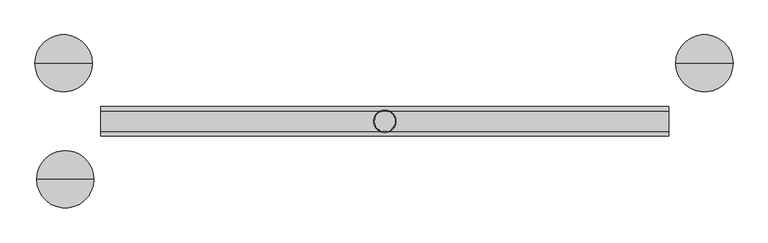
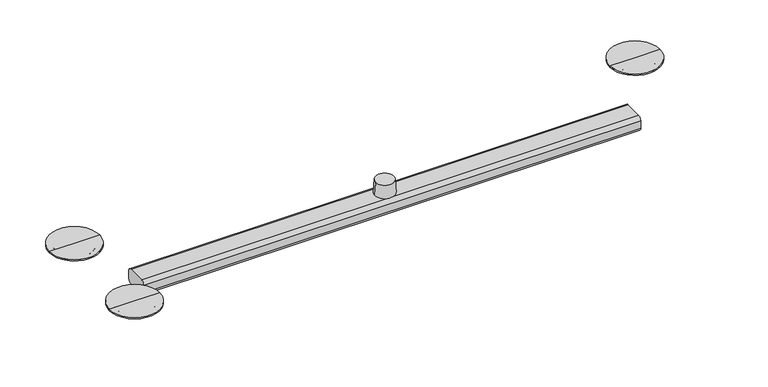
"""IFC4 building model written with IfcOpenShell, lengths in millimetres: furniture geometry."""

from ifc_helpers import new_model, si_unit, point, frame, frame_2d, origin, place, context, project, spatial, polyline, circle_curve, ellipse_curve, trimmed, segment, composite_curve, outline, extrude, source, transform, mapped, element, save
from ifc_brep_helpers import plane_surface, cylinder_surface, revolved_surface, advanced_brep


def furniture_ea9a522a(model_context):
    return source(origin(), model_context, "Body", "SolidModel", [
        advanced_brep(
        [(-20.5731241, 0.0, 311.1393175), (20.5731241, 0.0, 311.1393175), (-22.2683328, 0.0, 280.4643069), (22.2683328, 0.0, 280.4643069)],
        [
            (0, 1, circle_curve(frame((0.0, 0.0, 311.1393175), z_axis=(0.0, 0.0, 1.0), x_axis=(-1.0, 0.0, 0.0)), 20.5731241)),
            (1, 0, circle_curve(frame((0.0, 0.0, 311.1393175), z_axis=(0.0, 0.0, 1.0), x_axis=(1.0, 0.0, 0.0)), 20.5731241)),
            (2, 3, circle_curve(frame((0.0, 0.0, 280.4643069), z_axis=(0.0, 0.0, -1.0), x_axis=(1.0, 0.0, 0.0)), 22.2683328)),
            (3, 2, circle_curve(frame((0.0, 0.0, 280.4643069), z_axis=(0.0, 0.0, -1.0), x_axis=(-1.0, 0.0, 0.0)), 22.2683328)),
            (3, 1),
            (0, 2),
        ],
        [
            plane_surface(frame((0.0, 0.0, 311.1393175), z_axis=(0.0, 0.0, 1.0), x_axis=(0.0, -1.0, 0.0))),
            plane_surface(frame((0.0, 0.0, 280.4643069), z_axis=(0.0, 0.0, -1.0), x_axis=(0.0, -1.0, 0.0))),
            revolved_surface(polyline([(-20.57312411250368, 0.0, 311.1393175), (-22.2683328, 0.0, 280.4643069)]), (0.0, 0.0, 683.4125396), (0.0, 0.0, -1.0)),
            revolved_surface(polyline([(20.57312411250368, 0.0, 311.1393175), (22.2683328, 0.0, 280.4643069)]), (0.0, 0.0, 683.4125396), (0.0, 0.0, -1.0)),
        ],
        [
            (0, [[1, 2]]),
            (1, [[3, 4]]),
            (2, [[-4, 5, -1, 6]]),
            (3, [[-3, -6, -2, -5]]),
        ],
    ),
        extrude(outline(composite_curve([segment(trimmed(circle_curve(frame_2d((20.1105758, 254.1833493)), 8.6064604), [point((28.7170362, 254.1833493))], [point((20.1105758, 245.5768889))], False, "CARTESIAN"), True, "CONTINUOUS"), segment(polyline([(20.1105758, 245.5768889), (-20.512405, 245.5768889)]), True, "CONTINUOUS"), segment(trimmed(circle_curve(frame_2d((-20.512405, 253.8956792)), 8.3187903), [point((-20.512405, 245.5768889))], [point((-28.8311953, 253.8956792))], False, "CARTESIAN"), True, "CONTINUOUS"), segment(polyline([(-28.8311953, 253.8956792), (-28.8311953, 272.1586172)]), True, "CONTINUOUS"), segment(trimmed(circle_curve(frame_2d((-20.5255055, 272.1586172)), 8.3056898), [point((-28.8311953, 272.1586172))], [point((-20.5255055, 280.4643069))], False, "CARTESIAN"), True, "CONTINUOUS"), segment(polyline([(-20.5255055, 280.4643069), (20.3900213, 280.4643069)]), True, "CONTINUOUS"), segment(trimmed(circle_curve(frame_2d((20.3900213, 272.137292)), 8.3270149), [point((20.3900213, 280.4643069))], [point((28.7170362, 272.137292))], False, "CARTESIAN"), True, "CONTINUOUS"), segment(polyline([(28.7170362, 272.137292), (28.7170362, 254.1833493)]), True, "CONTINUOUS")], self_intersect=False)), frame((-558.8, 0.0, 0.0), z_axis=(1.0, 0.0, 0.0), x_axis=(0.0, 1.0, 0.0)), (0.0, 0.0, 1.0), 1117.6),
        advanced_brep(
        [(572.2022211, 114.3, 308.101579), (685.0977789, 114.3, 308.101579), (671.4452779, 114.3, 308.101579), (585.8547221, 114.3, 308.101579), (662.2307322, 114.3, 301.5504764), (595.0692678, 114.3, 301.5504764), (628.65, 114.3, 301.5504764), (628.65, 114.3, 311.1393175), (685.0977789, 114.3, 311.1393175), (572.2022211, 114.3, 311.1393175)],
        [
            (0, 1, circle_curve(frame((628.65, 114.3, 308.101579), z_axis=(0.0, 0.0, -1.0), x_axis=(1.0, 0.0, 0.0)), 56.4477789)),
            (1, 2),
            (2, 3, circle_curve(frame((628.65, 114.3, 308.101579), z_axis=(0.0, 0.0, 1.0), x_axis=(1.0, 0.0, 0.0)), 42.7952779)),
            (3, 0),
            (1, 0, circle_curve(frame((628.65, 114.3, 308.101579), z_axis=(0.0, 0.0, -1.0), x_axis=(1.0, 0.0, 0.0)), 56.4477789)),
            (3, 2, circle_curve(frame((628.65, 114.3, 308.101579), z_axis=(0.0, 0.0, 1.0), x_axis=(1.0, 0.0, 0.0)), 42.7952779)),
            (2, 4, circle_curve(frame((662.2307322, 114.3, 311.3064522), z_axis=(0.0, 1.0, 0.0), x_axis=(1.0, 0.0, 0.0)), 9.7559758)),
            (4, 5, circle_curve(frame((628.65, 114.3, 301.5504764), z_axis=(0.0, 0.0, 1.0), x_axis=(1.0, 0.0, 0.0)), 33.5807322)),
            (5, 3, circle_curve(frame((595.0692678, 114.3, 311.3064522), z_axis=(0.0, 1.0, 0.0), x_axis=(-1.0, 0.0, 0.0)), 9.7559758)),
            (5, 4, circle_curve(frame((628.65, 114.3, 301.5504764), z_axis=(0.0, 0.0, 1.0), x_axis=(1.0, 0.0, 0.0)), 33.5807322)),
            (4, 6),
            (6, 5),
            (7, 8),
            (8, 9, circle_curve(frame((628.65, 114.3, 311.1393175), z_axis=(0.0, 0.0, 1.0), x_axis=(1.0, 0.0, 0.0)), 56.4477789)),
            (9, 7),
            (9, 8, circle_curve(frame((628.65, 114.3, 311.1393175), z_axis=(0.0, 0.0, 1.0), x_axis=(1.0, 0.0, 0.0)), 56.4477789)),
            (8, 1),
            (0, 9),
        ],
        [
            plane_surface(frame((628.65, 114.3, 308.101579), z_axis=(0.0, 0.0, -1.0), x_axis=(1.0, 0.0, 0.0))),
            revolved_surface(trimmed(ellipse_curve(frame((662.2307322, 114.3, 311.3064522), z_axis=(0.0, -1.0, 0.0), x_axis=(1.0, 0.0, 0.0)), 9.7559758, 9.7559758), [point((662.2307322, 114.3, 301.5504764))], [point((671.4452779, 114.3, 308.101579))], True, "CARTESIAN"), (628.65, 114.3, 317.4893175), (0.0, 0.0, 1.0)),
            plane_surface(frame((628.65, 114.3, 301.5504764), z_axis=(0.0, 0.0, -1.0), x_axis=(1.0, 0.0, 0.0))),
            plane_surface(frame((628.65, 114.3, 311.1393175), z_axis=(0.0, 0.0, 1.0), x_axis=(1.0, 0.0, 0.0))),
            cylinder_surface(frame((628.65, 114.3, 317.4893175), z_axis=(0.0, 0.0, 1.0), x_axis=(1.0, 0.0, 0.0)), 56.4477789),
        ],
        [
            (0, [[1, 2, 3, 4]]),
            (0, [[5, -4, 6, -2]]),
            (1, [[-3, 7, 8, 9]]),
            (1, [[-6, -9, 10, -7]]),
            (2, [[-8, 11, 12]]),
            (2, [[-10, -12, -11]]),
            (3, [[13, 14, 15]]),
            (3, [[-15, 16, -13]]),
            (4, [[-14, 17, -1, 18]]),
            (4, [[-16, -18, -5, -17]]),
        ],
    ),
        advanced_brep(
        [(-572.1993049, -114.3, 308.101579), (-685.1006951, -114.3, 308.101579), (-671.4481941, -114.3, 308.101579), (-585.8518059, -114.3, 308.101579), (-662.2336484, -114.3, 301.5504764), (-595.0663516, -114.3, 301.5504764), (-628.65, -114.3, 301.5504764), (-628.65, -114.3, 311.1393175), (-685.1006951, -114.3, 311.1393175), (-572.1993049, -114.3, 311.1393175)],
        [
            (0, 1, circle_curve(frame((-628.65, -114.3, 308.101579), z_axis=(0.0, 0.0, -1.0), x_axis=(-1.0, 0.0, 0.0)), 56.4506951)),
            (1, 2),
            (2, 3, circle_curve(frame((-628.65, -114.3, 308.101579), z_axis=(0.0, 0.0, 1.0), x_axis=(-1.0, 0.0, 0.0)), 42.7981941)),
            (3, 0),
            (1, 0, circle_curve(frame((-628.65, -114.3, 308.101579), z_axis=(0.0, 0.0, -1.0), x_axis=(-1.0, 0.0, 0.0)), 56.4506951)),
            (3, 2, circle_curve(frame((-628.65, -114.3, 308.101579), z_axis=(0.0, 0.0, 1.0), x_axis=(-1.0, 0.0, 0.0)), 42.7981941)),
            (2, 4, circle_curve(frame((-662.2336484, -114.3, 311.3064522), z_axis=(0.0, -1.0, 0.0), x_axis=(1.0, 0.0, 0.0)), 9.7559758)),
            (4, 5, circle_curve(frame((-628.65, -114.3, 301.5504764), z_axis=(0.0, 0.0, 1.0), x_axis=(-1.0, 0.0, 0.0)), 33.5836484)),
            (5, 3, circle_curve(frame((-595.0663516, -114.3, 311.3064522), z_axis=(0.0, -1.0, 0.0), x_axis=(-1.0, 0.0, 0.0)), 9.7559758)),
            (5, 4, circle_curve(frame((-628.65, -114.3, 301.5504764), z_axis=(0.0, 0.0, 1.0), x_axis=(-1.0, 0.0, 0.0)), 33.5836484)),
            (4, 6),
            (6, 5),
            (7, 8),
            (8, 9, circle_curve(frame((-628.65, -114.3, 311.1393175), z_axis=(0.0, 0.0, 1.0), x_axis=(-1.0, 0.0, 0.0)), 56.4506951)),
            (9, 7),
            (9, 8, circle_curve(frame((-628.65, -114.3, 311.1393175), z_axis=(0.0, 0.0, 1.0), x_axis=(-1.0, 0.0, 0.0)), 56.4506951)),
            (8, 1),
            (0, 9),
        ],
        [
            plane_surface(frame((-628.65, -114.3, 308.101579), z_axis=(0.0, 0.0, -1.0), x_axis=(-1.0, 0.0, 0.0))),
            revolved_surface(trimmed(ellipse_curve(frame((-662.2336484, -114.3, 311.3064522), z_axis=(0.0, 1.0, 0.0), x_axis=(1.0, 0.0, 0.0)), 9.7559758, 9.7559758), [point((-662.2336484, -114.3, 301.5504764))], [point((-671.4481941, -114.3, 308.101579))], True, "CARTESIAN"), (-628.65, -114.3, 317.4893175), (0.0, 0.0, 1.0)),
            plane_surface(frame((-628.65, -114.3, 301.5504764), z_axis=(0.0, 0.0, -1.0), x_axis=(-1.0, 0.0, 0.0))),
            plane_surface(frame((-628.65, -114.3, 311.1393175), z_axis=(0.0, 0.0, 1.0), x_axis=(-1.0, 0.0, 0.0))),
            cylinder_surface(frame((-628.65, -114.3, 317.4893175), z_axis=(0.0, 0.0, 1.0), x_axis=(-1.0, 0.0, 0.0)), 56.4506951),
        ],
        [
            (0, [[1, 2, 3, 4]]),
            (0, [[5, -4, 6, -2]]),
            (1, [[-3, 7, 8, 9]]),
            (1, [[-6, -9, 10, -7]]),
            (2, [[-8, 11, 12]]),
            (2, [[-10, -12, -11]]),
            (3, [[13, 14, 15]]),
            (3, [[-15, 16, -13]]),
            (4, [[-14, 17, -1, 18]]),
            (4, [[-16, -18, -5, -17]]),
        ],
    ),
        advanced_brep(
        [(-589.0268059, 114.3, 308.101579), (-674.6231941, 114.3, 308.101579), (-688.2756951, 114.3, 308.101579), (-575.3743049, 114.3, 308.101579), (-598.2413516, 114.3, 301.5504764), (-665.4086484, 114.3, 301.5504764), (-631.825, 114.3, 301.5504764), (-575.3743049, 114.3, 311.1393175), (-688.2756951, 114.3, 311.1393175), (-631.825, 114.3, 311.1393175)],
        [
            (0, 1, circle_curve(frame((-631.825, 114.3, 308.101579), z_axis=(0.0, 0.0, 1.0), x_axis=(-1.0, 0.0, 0.0)), 42.7981941)),
            (1, 2),
            (2, 3, circle_curve(frame((-631.825, 114.3, 308.101579), z_axis=(0.0, 0.0, -1.0), x_axis=(-1.0, 0.0, 0.0)), 56.4506951)),
            (3, 0),
            (1, 0, circle_curve(frame((-631.825, 114.3, 308.101579), z_axis=(0.0, 0.0, 1.0), x_axis=(-1.0, 0.0, 0.0)), 42.7981941)),
            (3, 2, circle_curve(frame((-631.825, 114.3, 308.101579), z_axis=(0.0, 0.0, -1.0), x_axis=(-1.0, 0.0, 0.0)), 56.4506951)),
            (4, 5, circle_curve(frame((-631.825, 114.3, 301.5504764), z_axis=(0.0, 0.0, 1.0), x_axis=(-1.0, 0.0, 0.0)), 33.5836484)),
            (5, 1, circle_curve(frame((-665.4086484, 114.3, 311.3064522), z_axis=(0.0, 1.0, 0.0), x_axis=(1.0, 0.0, 0.0)), 9.7559758)),
            (0, 4, circle_curve(frame((-598.2413516, 114.3, 311.3064522), z_axis=(0.0, 1.0, 0.0), x_axis=(-1.0, 0.0, 0.0)), 9.7559758)),
            (5, 4, circle_curve(frame((-631.825, 114.3, 301.5504764), z_axis=(0.0, 0.0, 1.0), x_axis=(-1.0, 0.0, 0.0)), 33.5836484)),
            (6, 5),
            (4, 6),
            (7, 8, circle_curve(frame((-631.825, 114.3, 311.1393175), z_axis=(0.0, 0.0, 1.0), x_axis=(-1.0, 0.0, 0.0)), 56.4506951)),
            (8, 9),
            (9, 7),
            (8, 7, circle_curve(frame((-631.825, 114.3, 311.1393175), z_axis=(0.0, 0.0, 1.0), x_axis=(-1.0, 0.0, 0.0)), 56.4506951)),
            (2, 8),
            (7, 3),
        ],
        [
            plane_surface(frame((-631.825, 114.3, 308.101579), z_axis=(0.0, 0.0, -1.0), x_axis=(-1.0, 0.0, 0.0))),
            revolved_surface(trimmed(ellipse_curve(frame((-665.4086484, 114.3, 311.3064522), z_axis=(0.0, -1.0, 0.0), x_axis=(1.0, 0.0, 0.0)), 9.7559758, 9.7559758), [point((-674.6231941, 114.3, 308.101579))], [point((-665.4086484, 114.3, 301.5504764))], True, "CARTESIAN"), (-631.825, 114.3, 317.4893175), (0.0, 0.0, -1.0)),
            plane_surface(frame((-631.825, 114.3, 301.5504764), z_axis=(0.0, 0.0, -1.0), x_axis=(-1.0, 0.0, 0.0))),
            plane_surface(frame((-631.825, 114.3, 311.1393175), z_axis=(0.0, 0.0, 1.0), x_axis=(-1.0, 0.0, 0.0))),
            cylinder_surface(frame((-631.825, 114.3, 317.4893175), z_axis=(0.0, 0.0, -1.0), x_axis=(-1.0, 0.0, 0.0)), 56.4506951),
        ],
        [
            (0, [[1, 2, 3, 4]]),
            (0, [[5, -4, 6, -2]]),
            (1, [[7, 8, -1, 9]]),
            (1, [[10, -9, -5, -8]]),
            (2, [[11, -7, 12]]),
            (2, [[-12, -10, -11]]),
            (3, [[13, 14, 15]]),
            (3, [[16, -15, -14]]),
            (4, [[-3, 17, -13, 18]]),
            (4, [[-6, -18, -16, -17]]),
        ],
    ),
    ])


if __name__ == "__main__":
    model = new_model("IFC4")
    model_context = context("Model", 3, world=origin())
    ifc_project = project(units=[si_unit("LENGTHUNIT", "METRE", prefix="MILLI")], contexts=[model_context])
    site = spatial("IfcSite", under=ifc_project)
    building = spatial("IfcBuilding", under=site)
    placement = place(None, origin())
    furniture_shape = furniture_ea9a522a(model_context)
    element("IfcFurniture", 1, at=placement, inside=building, context=model_context, shape_type="MappedRepresentation", body=[
        mapped(furniture_shape, transform((0.0, 0.0, 0.0), x_axis=(1.0, 0.0, 0.0), y_axis=(0.0, 1.0, 0.0), z_axis=(0.0, 0.0, 1.0))),
    ])
    save(model, "model.ifc")
